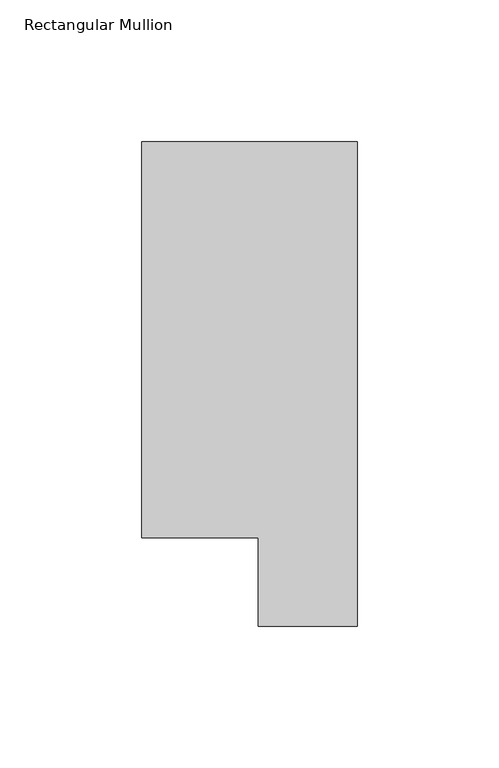
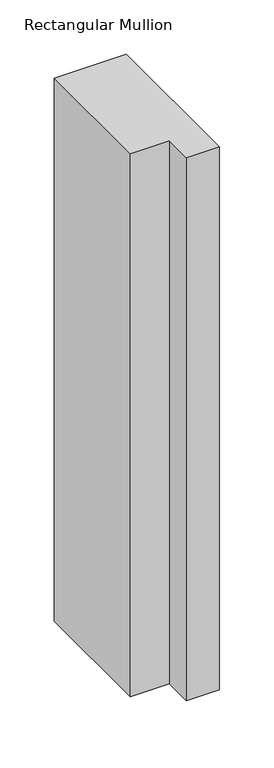
"""IFC4 building model written with IfcOpenShell, lengths in millimetres: member geometry, Rectangular Mullion."""

from ifc_helpers import new_model, si_unit, frame, origin, place, context, project, spatial, polyline, outline, extrude, source, transform, mapped, element, save


def rectangular_mullion_1d9fc824(model_context):
    return source(origin(), model_context, "Body", "SweptSolid", [
        extrude(outline(polyline([(-76.2, 190.7881317), (0.0, 190.7881317), (0.0, 19.5667317), (-34.9123, 19.5667317), (-34.9123, 50.8087306), (-76.2, 50.8087306), (-76.2, 190.7881317)])), frame((0.0, 0.0, -609.6), z_axis=(0.0, 0.0, 1.0), x_axis=(1.0, 0.0, 0.0)), (0.0, 0.0, 1.0), 609.6),
    ])


if __name__ == "__main__":
    model = new_model("IFC4")
    model_context = context("Model", 3, world=origin())
    ifc_project = project(units=[si_unit("LENGTHUNIT", "METRE", prefix="MILLI")], contexts=[model_context])
    site = spatial("IfcSite", under=ifc_project)
    building = spatial("IfcBuilding", under=site)
    placement = place(None, origin())
    rectangular_mullion_shape = rectangular_mullion_1d9fc824(model_context)
    element("IfcMember", 1, ObjectType="Rectangular Mullion", at=placement, inside=building, context=model_context, shape_type="MappedRepresentation", body=[
        mapped(rectangular_mullion_shape, transform((0.0, 0.0, 0.0), x_axis=(1.0, 0.0, 0.0), y_axis=(0.0, 1.0, 0.0), z_axis=(0.0, 0.0, 1.0))),
    ])
    save(model, "model.ifc")
